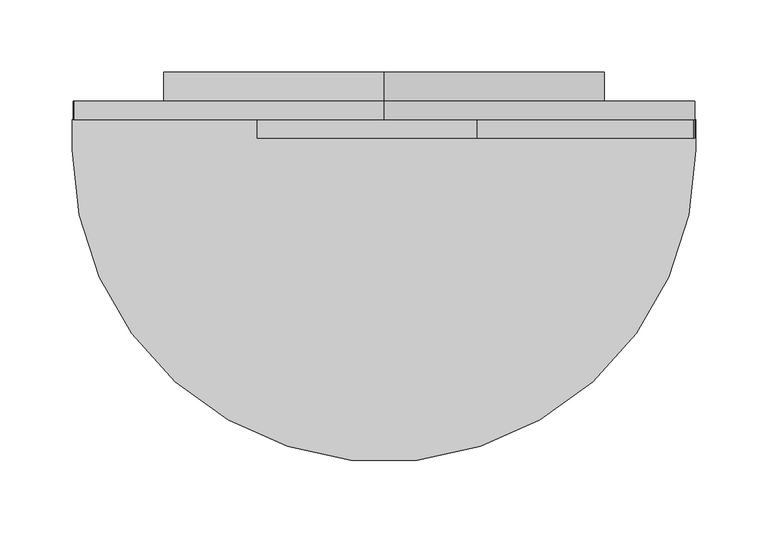
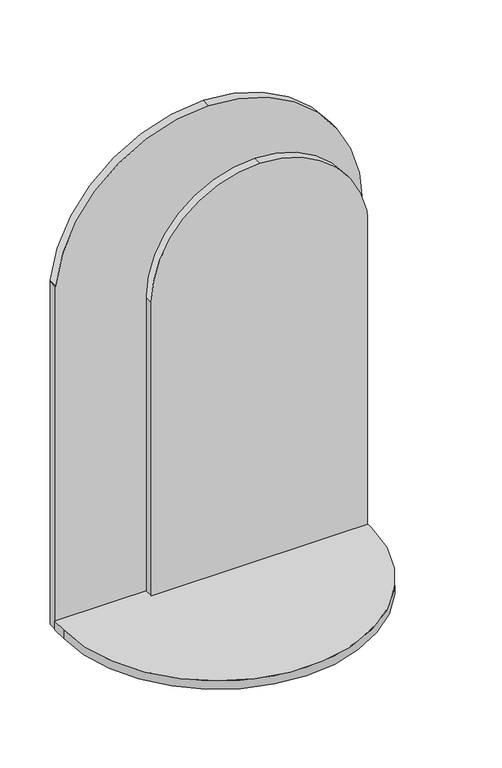
"""IFC4 building model written with IfcOpenShell, lengths in millimetres: furniture geometry."""

from ifc_helpers import new_model, si_unit, point, frame, frame_2d, origin, place, context, project, spatial, polyline, circle_curve, trimmed, segment, composite_curve, outline, extrude, source, transform, mapped, element, save
from ifc_brep_helpers import plane_surface, cylinder_surface, advanced_brep


def furniture_7ea181bd(model_context):
    return source(origin(), model_context, "Body", "SolidModel", [
        advanced_brep(
        [(785.5005851, 146.5957031, 484.98125), (570.4935539, 146.5957031, 699.9882813), (355.6134116, 146.5957031, 509.0312218), (355.4865226, 146.5957031, 506.8854618), (355.4865226, 146.5957031, 12.525), (785.5005851, 146.5957031, 12.525), (355.4865226, 159.4941406, 0.0), (355.4865226, 159.4941406, 506.8854618), (355.6134116, 159.4941406, 509.0312218), (570.4935539, 159.4941406, 699.9882813), (785.5005851, 159.4941406, 484.98125), (785.5005851, 159.4941406, 0.0), (722.8935539, 159.4941406, 0.0), (722.8935539, 159.4941406, 484.1239864), (570.4935539, 159.4941406, 636.5239864), (418.0935539, 159.4941406, 484.1239864), (418.0935539, 159.4941406, 0.0), (785.5005851, 146.5957031, 0.0), (355.4865226, 146.5957031, 0.0), (786.3935478, 146.5957031, 0.0), (786.3935478, 125.3756433, 0.0), (354.5935599, 125.3756433, 0.0), (354.5935599, 146.5957031, 0.0), (418.0935539, 179.4371094, 0.0), (722.8935539, 179.4371094, 0.0), (418.0935539, 179.4371094, 484.1239864), (570.4935539, 179.4371094, 636.5239864), (722.8935539, 179.4371094, 484.1239864), (354.5935599, 146.5957031, 12.525), (354.5935599, 125.3756433, 12.525), (786.3935478, 125.3756433, 12.525), (786.3935478, 146.5957031, 12.525)],
        [
            (0, 1, circle_curve(frame((570.4935539, 146.5957031, 484.98125), z_axis=(0.0, -1.0, 0.0), x_axis=(1.0, 0.0, 0.0)), 215.0070313)),
            (1, 2, circle_curve(frame((570.5212213, 146.5957031, 483.5784645), z_axis=(0.0, -1.0, 0.0), x_axis=(1.0, 0.0, 0.0)), 216.4098185)),
            (2, 3, circle_curve(frame((373.6929437, 146.5957031, 506.8854618), z_axis=(0.0, -1.0, 0.0), x_axis=(1.0, 0.0, 0.0)), 18.2064211)),
            (3, 4),
            (4, 5),
            (5, 0),
            (6, 7),
            (7, 8, circle_curve(frame((373.6929437, 159.4941406, 506.8854618), z_axis=(0.0, 1.0, 0.0), x_axis=(1.0, 0.0, 0.0)), 18.2064211)),
            (8, 9, circle_curve(frame((570.5212213, 159.4941406, 483.5784645), z_axis=(0.0, 1.0, 0.0), x_axis=(1.0, 0.0, 0.0)), 216.4098185)),
            (9, 10, circle_curve(frame((570.4935539, 159.4941406, 484.98125), z_axis=(0.0, 1.0, 0.0), x_axis=(1.0, 0.0, 0.0)), 215.0070313)),
            (10, 11),
            (11, 12),
            (12, 13),
            (13, 14, circle_curve(frame((570.4935539, 159.4941406, 484.1239864), z_axis=(0.0, -1.0, 0.0), x_axis=(1.0, 0.0, 0.0)), 152.4)),
            (14, 15, circle_curve(frame((570.4935539, 159.4941406, 484.1239864), z_axis=(0.0, -1.0, 0.0), x_axis=(1.0, 0.0, 0.0)), 152.4)),
            (15, 16),
            (16, 6),
            (10, 0),
            (5, 17),
            (17, 11),
            (9, 1),
            (8, 2),
            (6, 18),
            (18, 4),
            (3, 7),
            (17, 19),
            (19, 20),
            (20, 21, circle_curve(frame((570.4935539, 125.3756433, 0.0), z_axis=(0.0, 0.0, -1.0), x_axis=(1.0, 0.0, 0.0)), 215.8999939)),
            (21, 22),
            (22, 18),
            (16, 23),
            (23, 24),
            (24, 12),
            (25, 26, circle_curve(frame((570.4935539, 179.4371094, 484.1239864), z_axis=(0.0, 1.0, 0.0), x_axis=(1.0, 0.0, 0.0)), 152.4)),
            (26, 27, circle_curve(frame((570.4935539, 179.4371094, 484.1239864), z_axis=(0.0, 1.0, 0.0), x_axis=(1.0, 0.0, 0.0)), 152.4)),
            (27, 24),
            (23, 25),
            (15, 25),
            (27, 13),
            (26, 14),
            (28, 29),
            (29, 30, circle_curve(frame((570.4935539, 125.3756433, 12.525), z_axis=(0.0, 0.0, 1.0), x_axis=(1.0, 0.0, 0.0)), 215.8999939)),
            (30, 31),
            (31, 5),
            (4, 28),
            (30, 20),
            (19, 31),
            (22, 28),
            (21, 29),
        ],
        [
            plane_surface(frame((785.5005851, 146.5957031, 0.0), z_axis=(0.0, -1.0, 0.0), x_axis=(1.0, 0.0, 0.0))),
            plane_surface(frame((785.5005851, 159.4941406, 0.0), z_axis=(0.0, 1.0, 0.0), x_axis=(-1.0, 0.0, 0.0))),
            plane_surface(frame((785.5005851, 146.5957031, 0.0), z_axis=(1.0, 0.0, 0.0), x_axis=(0.0, 1.0, 0.0))),
            cylinder_surface(frame((570.4935539, 159.4941406, 484.98125), z_axis=(0.0, -1.0, 0.0), x_axis=(1.0, 0.0, 0.0)), 215.0070313),
            cylinder_surface(frame((570.5212213, 159.4941406, 483.5784645), z_axis=(0.0, -1.0, 0.0), x_axis=(1.0, 0.0, 0.0)), 216.4098185),
            plane_surface(frame((355.4865226, 146.5957031, 506.8854618), z_axis=(-1.0, 0.0, 0.0), x_axis=(0.0, 1.0, 0.0))),
            plane_surface(frame((355.4865226, 146.5957031, 0.0), z_axis=(0.0, 0.0, -1.0), x_axis=(0.0, 1.0, 0.0))),
            cylinder_surface(frame((373.6929437, 159.4941406, 506.8854618), z_axis=(0.0, -1.0, 0.0), x_axis=(1.0, 0.0, 0.0)), 18.2064211),
            plane_surface(frame((418.0935539, 179.4371094, -2.42e-05), z_axis=(0.0, 1.0, 0.0), x_axis=(0.0, 0.0, 1.0))),
            plane_surface(frame((418.0935539, 159.4941406, 484.1239864), z_axis=(-1.0, 0.0, 0.0), x_axis=(0.0, 1.0, 0.0))),
            plane_surface(frame((722.8935539, 159.4941406, -2.42e-05), z_axis=(1.0, 0.0, 0.0), x_axis=(0.0, 1.0, 0.0))),
            cylinder_surface(frame((570.4935539, 179.4371094, 484.1239864), z_axis=(0.0, -1.0, 0.0), x_axis=(1.0, 0.0, 0.0)), 152.4),
            plane_surface(frame((786.3935478, 146.5957031, 12.525), z_axis=(0.0, 0.0, 1.0), x_axis=(-1.0, 0.0, 0.0))),
            plane_surface(frame((786.3935478, 125.3756433, 12.525), z_axis=(1.0, 0.0, 0.0), x_axis=(0.0, 0.0, -1.0))),
            plane_surface(frame((786.3935478, 146.5957031, 12.525), z_axis=(0.0, 1.0, 0.0), x_axis=(0.0, 0.0, -1.0))),
            plane_surface(frame((354.5935599, 146.5957031, 12.525), z_axis=(-1.0, 0.0, 0.0), x_axis=(0.0, 0.0, -1.0))),
            cylinder_surface(frame((570.4935539, 125.3756433, 0.0), z_axis=(0.0, 0.0, 1.0), x_axis=(1.0, 0.0, 0.0)), 215.8999939),
        ],
        [
            (0, [[1, 2, 3, 4, 5, 6]]),
            (1, [[7, 8, 9, 10, 11, 12, 13, 14, 15, 16, 17]]),
            (2, [[-11, 18, -6, 19, 20]]),
            (3, [[-1, -18, -10, 21]]),
            (4, [[-2, -21, -9, 22]]),
            (5, [[-7, 23, 24, -4, 25]]),
            (6, [[-20, 26, 27, 28, 29, 30, -23, -17, 31, 32, 33, -12]]),
            (7, [[-3, -22, -8, -25]]),
            (8, [[34, 35, 36, -32, 37]]),
            (9, [[-37, -31, -16, 38]]),
            (10, [[-36, 39, -13, -33]]),
            (11, [[-35, 40, -14, -39]]),
            (11, [[-34, -38, -15, -40]]),
            (12, [[41, 42, 43, 44, -5, 45]]),
            (13, [[-43, 46, -27, 47]]),
            (14, [[-47, -26, -19, -44]]),
            (14, [[48, -45, -24, -30]]),
            (15, [[-41, -48, -29, 49]]),
            (16, [[-42, -49, -28, -46]]),
        ],
    ),
        extrude(outline(composite_curve([segment(polyline([(12.525, 482.609556), (12.525, 785.5005851), (467.4335525, 785.5005851)]), True, "CONTINUOUS"), segment(trimmed(circle_curve(frame_2d((467.4335525, 734.7005851)), 50.8), [point((467.4335525, 785.5005851))], [point((477.3736022, 784.5186081))], False, "CARTESIAN"), True, "CONTINUOUS"), segment(trimmed(circle_curve(frame_2d((447.5480213, 635.0373159)), 152.4277599), [point((477.3736022, 784.5186081))], [point((599.9757813, 635.0373159))], False, "CARTESIAN"), True, "CONTINUOUS"), segment(trimmed(circle_curve(frame_2d((447.5480213, 635.0373159)), 152.4277599), [point((599.9757813, 635.0373159))], [point((447.5480213, 482.609556))], False, "CARTESIAN"), True, "CONTINUOUS"), segment(polyline([(447.5480213, 482.609556), (12.525, 482.609556)]), True, "CONTINUOUS")], self_intersect=False)), frame((0.0, 133.8957031, 0.0), z_axis=(0.0, 1.0, 0.0), x_axis=(0.0, 0.0, 1.0)), (0.0, 0.0, 1.0), 12.7),
    ])


if __name__ == "__main__":
    model = new_model("IFC4")
    model_context = context("Model", 3, world=origin())
    ifc_project = project(units=[si_unit("LENGTHUNIT", "METRE", prefix="MILLI")], contexts=[model_context])
    site = spatial("IfcSite", under=ifc_project)
    building = spatial("IfcBuilding", under=site)
    placement = place(None, origin())
    furniture_shape = furniture_7ea181bd(model_context)
    element("IfcFurniture", 1, at=placement, inside=building, context=model_context, shape_type="MappedRepresentation", body=[
        mapped(furniture_shape, transform((0.0, 0.0, 0.0), x_axis=(1.0, 0.0, 0.0), y_axis=(0.0, 1.0, 0.0), z_axis=(0.0, 0.0, 1.0))),
    ])
    save(model, "model.ifc")
